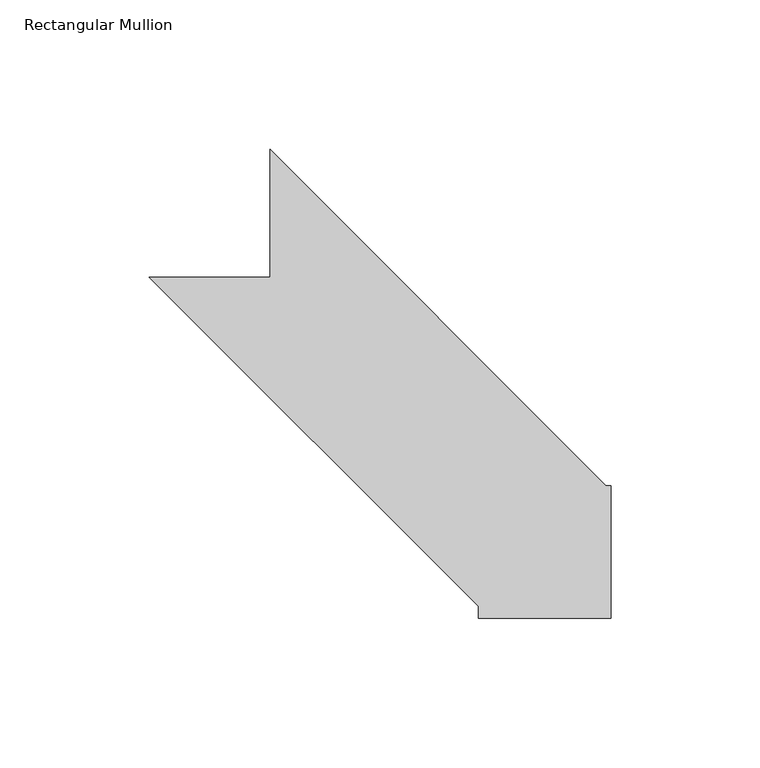
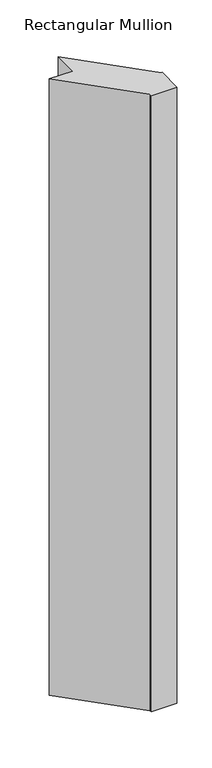
"""IFC4 building model written with IfcOpenShell, lengths in millimetres: member geometry, Rectangular Mullion."""

from ifc_helpers import new_model, si_unit, frame, origin, place, context, project, spatial, polyline, outline, extrude, source, transform, mapped, element, save


def rectangular_mullion_d396cdcd(model_context):
    return source(origin(), model_context, "Body", "SweptSolid", [
        extrude(outline(polyline([(-57.15, 12.7), (-57.15, 16.6346177), (-167.5153823, 127.0), (-127.0099007, 127.0), (-127.0099007, 169.8618522), (-14.2980485, 57.15), (-12.7, 57.15), (-12.7, 12.7), (-57.15, 12.7)])), frame((0.0, 0.0, -1127.125), z_axis=(0.0, 0.0, 1.0), x_axis=(1.0, 0.0, 0.0)), (0.0, 0.0, 1.0), 1127.125),
    ])


if __name__ == "__main__":
    model = new_model("IFC4")
    model_context = context("Model", 3, world=origin())
    ifc_project = project(units=[si_unit("LENGTHUNIT", "METRE", prefix="MILLI")], contexts=[model_context])
    site = spatial("IfcSite", under=ifc_project)
    building = spatial("IfcBuilding", under=site)
    placement = place(None, origin())
    rectangular_mullion_shape = rectangular_mullion_d396cdcd(model_context)
    element("IfcMember", 1, ObjectType="Rectangular Mullion", at=placement, inside=building, context=model_context, shape_type="MappedRepresentation", body=[
        mapped(rectangular_mullion_shape, transform((0.0, 0.0, 0.0), x_axis=(1.0, 0.0, 0.0), y_axis=(0.0, 1.0, 0.0), z_axis=(0.0, 0.0, 1.0))),
    ])
    save(model, "model.ifc")
